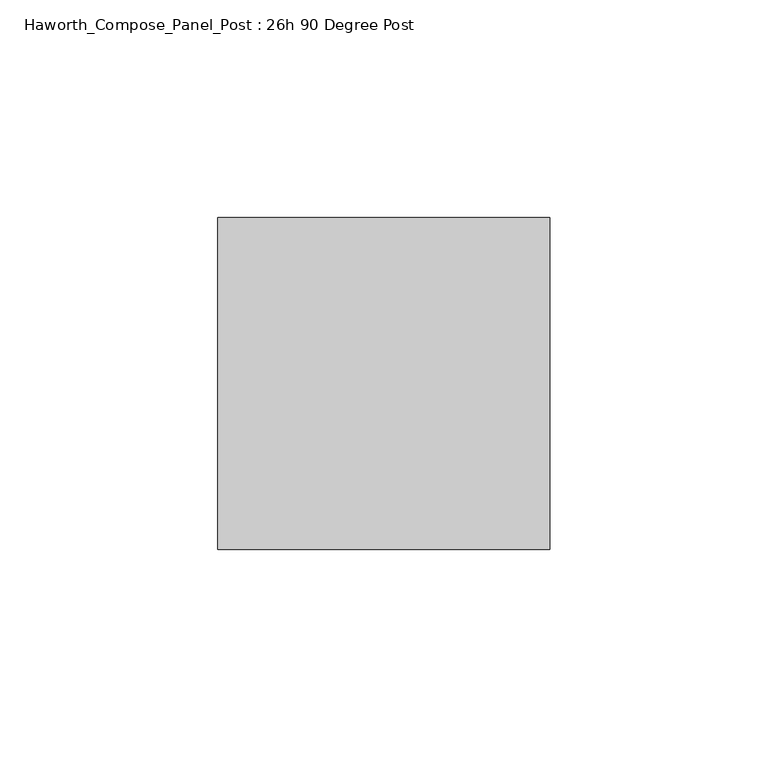
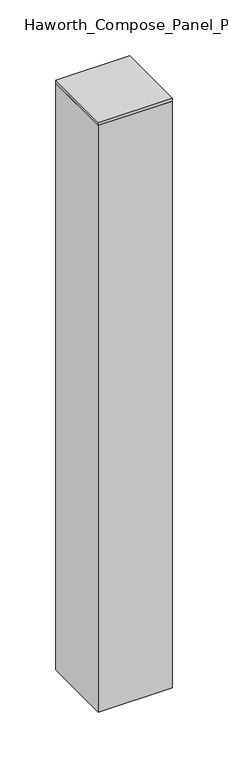
"""IFC4 building model written with IfcOpenShell, lengths in millimetres: furniture geometry, Haworth_Compose_Panel_Post : 26h 90 Degree Post."""

from ifc_helpers import new_model, si_unit, frame, origin, place, context, project, spatial, polyline, outline, extrude, source, transform, mapped, element, save


def haworth_compose_panel_post_26h_90_degree_post_7922b5fd(model_context):
    return source(origin(), model_context, "Body", "SweptSolid", [
        extrude(outline(polyline([(0.0, 38.1), (76.2, 38.1), (76.2, -38.1), (0.0, -38.1), (0.0, 38.1)])), frame((0.0, 0.0, 654.05), z_axis=(0.0, 0.0, 1.0), x_axis=(1.0, 0.0, 0.0)), (0.0, 0.0, 1.0), 3.175),
        extrude(outline(polyline([(76.2, 38.1), (76.2, -38.1), (0.0, -38.1), (0.0, 38.1), (76.2, 38.1)])), frame((0.0, 0.0, 12.7), z_axis=(0.0, 0.0, 1.0), x_axis=(1.0, 0.0, 0.0)), (0.0, 0.0, 1.0), 641.35),
    ])


if __name__ == "__main__":
    model = new_model("IFC4")
    model_context = context("Model", 3, world=origin())
    ifc_project = project(units=[si_unit("LENGTHUNIT", "METRE", prefix="MILLI")], contexts=[model_context])
    site = spatial("IfcSite", under=ifc_project)
    building = spatial("IfcBuilding", under=site)
    placement = place(None, origin())
    haworth_compose_panel_post_26h_90_degree_post_shape = haworth_compose_panel_post_26h_90_degree_post_7922b5fd(model_context)
    element("IfcFurniture", 1, ObjectType="Haworth_Compose_Panel_Post : 26h 90 Degree Post", at=placement, inside=building, context=model_context, shape_type="MappedRepresentation", body=[
        mapped(haworth_compose_panel_post_26h_90_degree_post_shape, transform((0.0, 0.0, 0.0), x_axis=(1.0, 0.0, 0.0), y_axis=(0.0, 1.0, 0.0), z_axis=(0.0, 0.0, 1.0))),
    ])
    save(model, "model.ifc")
